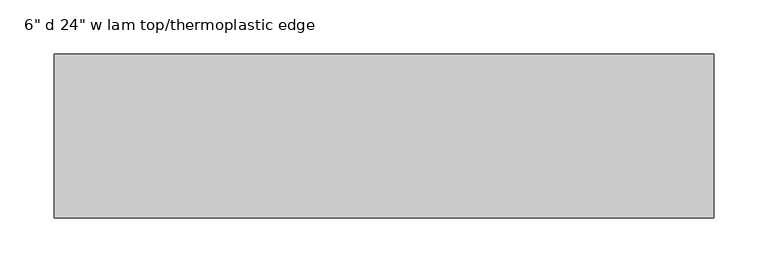
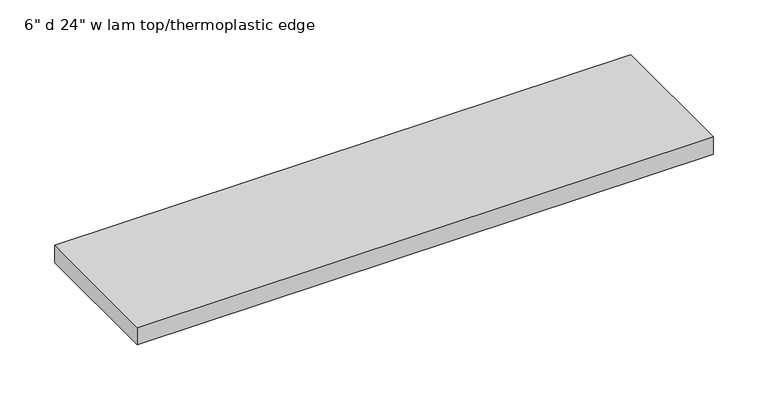
"""IFC4 building model written with IfcOpenShell, lengths in millimetres: furniture geometry."""

from ifc_helpers import new_model, si_unit, frame, origin, place, context, project, spatial, polyline, circle_curve, outline, extrude, source, transform, mapped, element, save
from ifc_brep_helpers import plane_surface, cylinder_surface, advanced_brep


def furniture_91fc5416(model_context):
    return source(origin(), model_context, "Body", "SolidModel", [
        advanced_brep(
        [(56.9043119, -66.675, 675.8945726), (39.6381329, -66.675, 675.8945726), (38.1, -65.1368671, 675.8945726), (38.1, 65.1368671, 675.8945726), (39.6381329, 66.675, 675.8945726), (56.9043119, 66.675, 675.8945726), (58.4199988, 65.1593131, 675.8945726), (58.4199988, -65.1593131, 675.8945726), (45.2146502, 53.5088115, 675.8945726), (45.2146502, 39.4551862, 675.8945726), (51.3053486, 39.4551862, 675.8945726), (51.3053486, 53.5088115, 675.8945726), (45.2146502, -53.5088115, 675.8945726), (51.3053486, -53.5088115, 675.8945726), (51.3053486, -39.4551862, 675.8945726), (45.2146502, -39.4551862, 675.8945726), (38.3203123, 7.5906778, 675.8945726), (38.3203123, -7.5906778, 675.8945726), (58.1814005, -7.5906778, 675.8945726), (58.1814005, 7.5906778, 675.8945726), (56.9043119, -66.675, 682.2446211), (58.4199988, -65.1593131, 682.2446211), (58.4199988, 65.1593131, 682.2446211), (56.9043119, 66.675, 682.2446211), (39.6381329, 66.675, 682.2446211), (38.1, 65.1368671, 682.2446211), (38.1, -65.1368671, 682.2446211), (39.6381329, -66.675, 682.2446211), (45.2146502, 53.5088115, 665.9945955), (51.3053486, 53.5088115, 665.9945955), (51.3053486, 39.4551862, 665.9945955), (45.2146502, 39.4551862, 665.9945955), (45.2146502, -53.5088115, 665.9945955), (45.2146502, -39.4551862, 665.9945955), (51.3053486, -39.4551862, 665.9945955), (51.3053486, -53.5088115, 665.9945955), (38.3203123, 6.8479071, 667.9597372), (38.3203123, 5.8485166, 666.9946072), (38.3203123, -5.8485166, 666.9946072), (38.3203123, -6.8479071, 667.9597372), (38.3203123, -7.1081491, 675.412044), (38.3203123, 7.1081491, 675.412044), (58.1814005, 6.8479071, 667.9597372), (58.1814005, 7.1081491, 675.412044), (58.1814005, -7.1081491, 675.412044), (58.1814005, -6.8479071, 667.9597372), (58.1814005, -5.8485166, 666.9946072), (58.1814005, 5.8485166, 666.9946072)],
        [
            (0, 1),
            (1, 2, circle_curve(frame((39.6381329, -65.1368671, 675.8945726), z_axis=(0.0, 0.0, -1.0), x_axis=(-1.0, 0.0, 0.0)), 1.5381329)),
            (2, 3),
            (3, 4, circle_curve(frame((39.6381329, 65.1368671, 675.8945726), z_axis=(0.0, 0.0, -1.0), x_axis=(-1.0, 0.0, 0.0)), 1.5381329)),
            (4, 5),
            (5, 6, circle_curve(frame((56.9043119, 65.1593131, 675.8945726), z_axis=(0.0, 0.0, -1.0), x_axis=(-1.0, 0.0, 0.0)), 1.5156869)),
            (6, 7),
            (7, 0, circle_curve(frame((56.9043119, -65.1593131, 675.8945726), z_axis=(0.0, 0.0, -1.0), x_axis=(-1.0, 0.0, 0.0)), 1.5156869)),
            (8, 9, circle_curve(frame((48.2600014, 46.4819988, 675.8945726), z_axis=(0.0, 0.0, 1.0), x_axis=(-1.0, 0.0, 0.0)), 7.6583457)),
            (9, 10),
            (10, 11, circle_curve(frame((48.2599974, 46.4819988, 675.8945726), z_axis=(0.0, 0.0, 1.0), x_axis=(-1.0, 0.0, 0.0)), 7.6583457)),
            (11, 8),
            (12, 13),
            (13, 14, circle_curve(frame((48.2599974, -46.4819988, 675.8945726), z_axis=(0.0, 0.0, 1.0), x_axis=(-1.0, 0.0, 0.0)), 7.6583457)),
            (14, 15),
            (15, 12, circle_curve(frame((48.2600014, -46.4819988, 675.8945726), z_axis=(0.0, 0.0, 1.0), x_axis=(-1.0, 0.0, 0.0)), 7.6583457)),
            (16, 17),
            (17, 18),
            (18, 19),
            (19, 16),
            (20, 21, circle_curve(frame((56.9043119, -65.1593131, 682.2446211), z_axis=(0.0, 0.0, 1.0), x_axis=(-1.0, 0.0, 0.0)), 1.5156869)),
            (21, 22),
            (22, 23, circle_curve(frame((56.9043119, 65.1593131, 682.2446211), z_axis=(0.0, 0.0, 1.0), x_axis=(-1.0, 0.0, 0.0)), 1.5156869)),
            (23, 24),
            (24, 25, circle_curve(frame((39.6381329, 65.1368671, 682.2446211), z_axis=(0.0, 0.0, 1.0), x_axis=(-1.0, 0.0, 0.0)), 1.5381329)),
            (25, 26),
            (26, 27, circle_curve(frame((39.6381329, -65.1368671, 682.2446211), z_axis=(0.0, 0.0, 1.0), x_axis=(-1.0, 0.0, 0.0)), 1.5381329)),
            (27, 20),
            (7, 21),
            (20, 0),
            (6, 22),
            (5, 23),
            (4, 24),
            (3, 25),
            (2, 26),
            (1, 27),
            (28, 29),
            (29, 30, circle_curve(frame((48.2599974, 46.4819988, 665.9945955), z_axis=(0.0, 0.0, -1.0), x_axis=(-1.0, 0.0, 0.0)), 7.6583457)),
            (30, 31),
            (31, 28, circle_curve(frame((48.2600014, 46.4819988, 665.9945955), z_axis=(0.0, 0.0, -1.0), x_axis=(-1.0, 0.0, 0.0)), 7.6583457)),
            (32, 33, circle_curve(frame((48.2600014, -46.4819988, 665.9945955), z_axis=(0.0, 0.0, -1.0), x_axis=(-1.0, 0.0, 0.0)), 7.6583457)),
            (33, 34),
            (34, 35, circle_curve(frame((48.2599974, -46.4819988, 665.9945955), z_axis=(0.0, 0.0, -1.0), x_axis=(-1.0, 0.0, 0.0)), 7.6583457)),
            (35, 32),
            (31, 9),
            (8, 28),
            (30, 10),
            (29, 11),
            (35, 13),
            (12, 32),
            (34, 14),
            (33, 15),
            (36, 37),
            (37, 38),
            (38, 39),
            (39, 40),
            (40, 17),
            (16, 41),
            (41, 36),
            (42, 43),
            (43, 19),
            (18, 44),
            (44, 45),
            (45, 46),
            (46, 47),
            (47, 42),
            (36, 42),
            (47, 37),
            (46, 38),
            (45, 39),
            (44, 40),
            (43, 41),
        ],
        [
            plane_surface(frame((55.388625, -65.1593131, 675.8945726), z_axis=(0.0, 0.0, -1.0), x_axis=(0.0, 1.0, 0.0))),
            plane_surface(frame((55.388625, -65.1593131, 682.2446211), z_axis=(0.0, 0.0, 1.0), x_axis=(0.0, -1.0, 0.0))),
            cylinder_surface(frame((56.9043119, -65.1593131, 675.8945726), z_axis=(0.0, 0.0, 1.0), x_axis=(-1.0, 0.0, 0.0)), 1.5156869),
            plane_surface(frame((58.4199988, -65.1593131, 682.2446211), z_axis=(1.0, 0.0, 0.0), x_axis=(0.0, 0.0, -1.0))),
            cylinder_surface(frame((56.9043119, 65.1593131, 675.8945726), z_axis=(0.0, 0.0, 1.0), x_axis=(-1.0, 0.0, 0.0)), 1.5156869),
            plane_surface(frame((56.9043119, 66.675, 682.2446211), z_axis=(0.0, 1.0, 0.0), x_axis=(0.0, 0.0, -1.0))),
            cylinder_surface(frame((39.6381329, 65.1368671, 675.8945726), z_axis=(0.0, 0.0, 1.0), x_axis=(-1.0, 0.0, 0.0)), 1.5381329),
            plane_surface(frame((38.1, 65.1368671, 682.2446211), z_axis=(-1.0, 0.0, 0.0), x_axis=(0.0, 0.0, -1.0))),
            cylinder_surface(frame((39.6381329, -65.1368671, 675.8945726), z_axis=(0.0, 0.0, 1.0), x_axis=(-1.0, 0.0, 0.0)), 1.5381329),
            plane_surface(frame((39.6381329, -66.675, 682.2446211), z_axis=(0.0, -1.0, 0.0), x_axis=(0.0, 0.0, -1.0))),
            plane_surface(frame((40.6016556, 46.4819988, 665.9945955), z_axis=(0.0, 0.0, -1.0), x_axis=(0.0, 1.0, 0.0))),
            cylinder_surface(frame((48.2600014, 46.4819988, 665.9945955), z_axis=(0.0, 0.0, 1.0), x_axis=(-1.0, 0.0, 0.0)), 7.6583457),
            plane_surface(frame((45.2146502, 39.4551862, 682.2446211), z_axis=(0.0, -1.0, 0.0), x_axis=(0.0, 0.0, -1.0))),
            cylinder_surface(frame((48.2599974, 46.4819988, 665.9945955), z_axis=(0.0, 0.0, 1.0), x_axis=(-1.0, 0.0, 0.0)), 7.6583457),
            plane_surface(frame((51.3053486, 53.5088115, 682.2446211), z_axis=(0.0, 1.0, 0.0), x_axis=(0.0, 0.0, -1.0))),
            plane_surface(frame((45.2146502, -53.5088115, 682.2446211), z_axis=(0.0, -1.0, 0.0), x_axis=(0.0, 0.0, -1.0))),
            cylinder_surface(frame((48.2599974, -46.4819988, 682.2446211), z_axis=(0.0, 0.0, 1.0), x_axis=(-1.0, 0.0, 0.0)), 7.6583457),
            plane_surface(frame((51.3053486, -39.4551862, 682.2446211), z_axis=(0.0, 1.0, 0.0), x_axis=(0.0, 0.0, -1.0))),
            cylinder_surface(frame((48.2600014, -46.4819988, 682.2446211), z_axis=(0.0, 0.0, 1.0), x_axis=(-1.0, 0.0, 0.0)), 7.6583457),
            plane_surface(frame((38.3203123, 5.8485166, 666.9946072), z_axis=(-1.0, 0.0, 0.0), x_axis=(0.0, -0.7193290739324713, -0.6946694778061387))),
            plane_surface(frame((58.1814005, 5.8485166, 666.9946072), z_axis=(1.0, 0.0, 0.0), x_axis=(0.0, 0.7193290739324713, 0.6946694778061387))),
            plane_surface(frame((38.3203123, 6.8479071, 667.9597372), z_axis=(0.0, 0.6946694778061387, -0.7193290739324713), x_axis=(1.0, 0.0, 0.0))),
            plane_surface(frame((38.3203123, 5.8485166, 666.9946072), z_axis=(0.0, 0.0, -1.0), x_axis=(1.0, 0.0, 0.0))),
            plane_surface(frame((38.3203123, -5.8485166, 666.9946072), z_axis=(0.0, -0.6946694778061387, -0.7193290739324713), x_axis=(1.0, 0.0, 0.0))),
            plane_surface(frame((38.3203123, -6.8479071, 667.9597372), z_axis=(0.0, -0.9993908190224847, -0.0348997256947267), x_axis=(1.0, 0.0, 0.0))),
            plane_surface(frame((38.3203123, -7.1081491, 675.412044), z_axis=(0.0, -0.7071067811865376, -0.7071067811865576), x_axis=(1.0, 0.0, 0.0))),
            plane_surface(frame((38.3203123, 8.0809822, 676.384877), z_axis=(0.0, 0.7071067811865414, -0.7071067811865537), x_axis=(1.0, 0.0, 0.0))),
            plane_surface(frame((38.3203123, 7.1081491, 675.412044), z_axis=(0.0, 0.9993908190224848, -0.034899725694726644), x_axis=(1.0, 0.0, 0.0))),
        ],
        [
            (0, [[1, 2, 3, 4, 5, 6, 7, 8], [9, 10, 11, 12], [13, 14, 15, 16], [17, 18, 19, 20]]),
            (1, [[21, 22, 23, 24, 25, 26, 27, 28]]),
            (2, [[-8, 29, -21, 30]]),
            (3, [[-7, 31, -22, -29]]),
            (4, [[-6, 32, -23, -31]]),
            (5, [[-5, 33, -24, -32]]),
            (6, [[-4, 34, -25, -33]]),
            (7, [[-3, 35, -26, -34]]),
            (8, [[-2, 36, -27, -35]]),
            (9, [[-1, -30, -28, -36]]),
            (10, [[37, 38, 39, 40]]),
            (10, [[41, 42, 43, 44]]),
            (11, [[-40, 45, -9, 46]]),
            (12, [[-39, 47, -10, -45]]),
            (13, [[-38, 48, -11, -47]]),
            (14, [[-37, -46, -12, -48]]),
            (15, [[-44, 49, -13, 50]]),
            (16, [[-43, 51, -14, -49]]),
            (17, [[-42, 52, -15, -51]]),
            (18, [[-41, -50, -16, -52]]),
            (19, [[53, 54, 55, 56, 57, -17, 58, 59]]),
            (20, [[60, 61, -19, 62, 63, 64, 65, 66]]),
            (21, [[-53, 67, -66, 68]]),
            (22, [[-54, -68, -65, 69]]),
            (23, [[-55, -69, -64, 70]]),
            (24, [[-56, -70, -63, 71]]),
            (25, [[-71, -62, -18, -57]]),
            (26, [[72, -58, -20, -61]]),
            (27, [[-59, -72, -60, -67]]),
        ],
    ),
        advanced_brep(
        [(552.6956881, -66.675, 675.8945726), (551.1800012, -65.1593131, 675.8945726), (551.1800012, 65.1593131, 675.8945726), (552.6956881, 66.675, 675.8945726), (569.9618671, 66.675, 675.8945726), (571.5, 65.1368671, 675.8945726), (571.5, -65.1368671, 675.8945726), (569.9618671, -66.675, 675.8945726), (564.3853498, 53.5088115, 675.8945726), (558.2946514, 53.5088115, 675.8945726), (558.2946514, 39.4551862, 675.8945726), (564.3853498, 39.4551862, 675.8945726), (564.3853498, -53.5088115, 675.8945726), (564.3853498, -39.4551862, 675.8945726), (558.2946514, -39.4551862, 675.8945726), (558.2946514, -53.5088115, 675.8945726), (571.2796877, -7.5906778, 675.8945726), (571.2796877, 7.5906778, 675.8945726), (551.4185995, 7.5906778, 675.8945726), (551.4185995, -7.5906778, 675.8945726), (552.6956881, -66.675, 682.2446211), (569.9618671, -66.675, 682.2446211), (571.5, -65.1368671, 682.2446211), (571.5, 65.1368671, 682.2446211), (569.9618671, 66.675, 682.2446211), (552.6956881, 66.675, 682.2446211), (551.1800012, 65.1593131, 682.2446211), (551.1800012, -65.1593131, 682.2446211), (564.3853498, 53.5088115, 665.9945955), (564.3853498, 39.4551862, 665.9945955), (558.2946514, 39.4551862, 665.9945955), (558.2946514, 53.5088115, 665.9945955), (564.3853498, -53.5088115, 665.9945955), (558.2946514, -53.5088115, 665.9945955), (558.2946514, -39.4551862, 665.9945955), (564.3853498, -39.4551862, 665.9945955), (571.2796877, 6.8479071, 667.9597372), (571.2796877, 7.1081491, 675.412044), (571.2796877, -7.1081491, 675.412044), (571.2796877, -6.8479071, 667.9597372), (571.2796877, -5.8485166, 666.9946072), (571.2796877, 5.8485166, 666.9946072), (551.4185995, 6.8479071, 667.9597372), (551.4185995, 5.8485166, 666.9946072), (551.4185995, -5.8485166, 666.9946072), (551.4185995, -6.8479071, 667.9597372), (551.4185995, -7.1081491, 675.412044), (551.4185995, 7.1081491, 675.412044)],
        [
            (0, 1, circle_curve(frame((552.6956881, -65.1593131, 675.8945726), z_axis=(0.0, 0.0, -1.0), x_axis=(-1.0, 0.0, 0.0)), 1.5156869)),
            (1, 2),
            (2, 3, circle_curve(frame((552.6956881, 65.1593131, 675.8945726), z_axis=(0.0, 0.0, -1.0), x_axis=(-1.0, 0.0, 0.0)), 1.5156869)),
            (3, 4),
            (4, 5, circle_curve(frame((569.9618671, 65.1368671, 675.8945726), z_axis=(0.0, 0.0, -1.0), x_axis=(-1.0, 0.0, 0.0)), 1.5381329)),
            (5, 6),
            (6, 7, circle_curve(frame((569.9618671, -65.1368671, 675.8945726), z_axis=(0.0, 0.0, -1.0), x_axis=(-1.0, 0.0, 0.0)), 1.5381329)),
            (7, 0),
            (8, 9),
            (9, 10, circle_curve(frame((561.3400026, 46.4819988, 675.8945726), z_axis=(0.0, 0.0, 1.0), x_axis=(-1.0, 0.0, 0.0)), 7.6583457)),
            (10, 11),
            (11, 8, circle_curve(frame((561.3399986, 46.4819988, 675.8945726), z_axis=(0.0, 0.0, 1.0), x_axis=(-1.0, 0.0, 0.0)), 7.6583457)),
            (12, 13, circle_curve(frame((561.3399986, -46.4819988, 675.8945726), z_axis=(0.0, 0.0, 1.0), x_axis=(-1.0, 0.0, 0.0)), 7.6583457)),
            (13, 14),
            (14, 15, circle_curve(frame((561.3400026, -46.4819988, 675.8945726), z_axis=(0.0, 0.0, 1.0), x_axis=(-1.0, 0.0, 0.0)), 7.6583457)),
            (15, 12),
            (16, 17),
            (17, 18),
            (18, 19),
            (19, 16),
            (20, 21),
            (21, 22, circle_curve(frame((569.9618671, -65.1368671, 682.2446211), z_axis=(0.0, 0.0, 1.0), x_axis=(-1.0, 0.0, 0.0)), 1.5381329)),
            (22, 23),
            (23, 24, circle_curve(frame((569.9618671, 65.1368671, 682.2446211), z_axis=(0.0, 0.0, 1.0), x_axis=(-1.0, 0.0, 0.0)), 1.5381329)),
            (24, 25),
            (25, 26, circle_curve(frame((552.6956881, 65.1593131, 682.2446211), z_axis=(0.0, 0.0, 1.0), x_axis=(-1.0, 0.0, 0.0)), 1.5156869)),
            (26, 27),
            (27, 20, circle_curve(frame((552.6956881, -65.1593131, 682.2446211), z_axis=(0.0, 0.0, 1.0), x_axis=(-1.0, 0.0, 0.0)), 1.5156869)),
            (7, 21),
            (20, 0),
            (6, 22),
            (5, 23),
            (4, 24),
            (3, 25),
            (2, 26),
            (1, 27),
            (28, 29, circle_curve(frame((561.3399986, 46.4819988, 665.9945955), z_axis=(0.0, 0.0, -1.0), x_axis=(-1.0, 0.0, 0.0)), 7.6583457)),
            (29, 30),
            (30, 31, circle_curve(frame((561.3400026, 46.4819988, 665.9945955), z_axis=(0.0, 0.0, -1.0), x_axis=(-1.0, 0.0, 0.0)), 7.6583457)),
            (31, 28),
            (32, 33),
            (33, 34, circle_curve(frame((561.3400026, -46.4819988, 665.9945955), z_axis=(0.0, 0.0, -1.0), x_axis=(-1.0, 0.0, 0.0)), 7.6583457)),
            (34, 35),
            (35, 32, circle_curve(frame((561.3399986, -46.4819988, 665.9945955), z_axis=(0.0, 0.0, -1.0), x_axis=(-1.0, 0.0, 0.0)), 7.6583457)),
            (31, 9),
            (8, 28),
            (30, 10),
            (29, 11),
            (35, 13),
            (12, 32),
            (34, 14),
            (33, 15),
            (36, 37),
            (37, 17),
            (16, 38),
            (38, 39),
            (39, 40),
            (40, 41),
            (41, 36),
            (42, 43),
            (43, 44),
            (44, 45),
            (45, 46),
            (46, 19),
            (18, 47),
            (47, 42),
            (41, 43),
            (42, 36),
            (40, 44),
            (39, 45),
            (38, 46),
            (37, 47),
        ],
        [
            plane_surface(frame((55.388625, -65.1593131, 675.8945726), z_axis=(0.0, 0.0, -1.0), x_axis=(0.0, 1.0, 0.0))),
            plane_surface(frame((55.388625, -65.1593131, 682.2446211), z_axis=(0.0, 0.0, 1.0), x_axis=(0.0, -1.0, 0.0))),
            plane_surface(frame((552.6956881, -66.675, 682.2446211), z_axis=(0.0, -1.0, 0.0), x_axis=(0.0, 0.0, -1.0))),
            cylinder_surface(frame((569.9618671, -65.1368671, 682.2446211), z_axis=(0.0, 0.0, 1.0), x_axis=(-1.0, 0.0, 0.0)), 1.5381329),
            plane_surface(frame((571.5, -65.1368671, 682.2446211), z_axis=(1.0, 0.0, 0.0), x_axis=(0.0, 0.0, -1.0))),
            cylinder_surface(frame((569.9618671, 65.1368671, 682.2446211), z_axis=(0.0, 0.0, 1.0), x_axis=(-1.0, 0.0, 0.0)), 1.5381329),
            plane_surface(frame((569.9618671, 66.675, 682.2446211), z_axis=(0.0, 1.0, 0.0), x_axis=(0.0, 0.0, -1.0))),
            cylinder_surface(frame((552.6956881, 65.1593131, 682.2446211), z_axis=(0.0, 0.0, 1.0), x_axis=(-1.0, 0.0, 0.0)), 1.5156869),
            plane_surface(frame((551.1800012, 65.1593131, 682.2446211), z_axis=(-1.0, 0.0, 0.0), x_axis=(0.0, 0.0, -1.0))),
            cylinder_surface(frame((552.6956881, -65.1593131, 682.2446211), z_axis=(0.0, 0.0, 1.0), x_axis=(-1.0, 0.0, 0.0)), 1.5156869),
            plane_surface(frame((40.6016556, 46.4819988, 665.9945955), z_axis=(0.0, 0.0, -1.0), x_axis=(0.0, 1.0, 0.0))),
            plane_surface(frame((564.3853498, 53.5088115, 682.2446211), z_axis=(0.0, 1.0, 0.0), x_axis=(0.0, 0.0, -1.0))),
            cylinder_surface(frame((561.3400026, 46.4819988, 682.2446211), z_axis=(0.0, 0.0, 1.0), x_axis=(-1.0, 0.0, 0.0)), 7.6583457),
            plane_surface(frame((558.2946514, 39.4551862, 682.2446211), z_axis=(0.0, -1.0, 0.0), x_axis=(0.0, 0.0, -1.0))),
            cylinder_surface(frame((561.3399986, 46.4819988, 682.2446211), z_axis=(0.0, 0.0, 1.0), x_axis=(-1.0, 0.0, 0.0)), 7.6583457),
            cylinder_surface(frame((561.3399986, -46.4819988, 682.2446211), z_axis=(0.0, 0.0, 1.0), x_axis=(-1.0, 0.0, 0.0)), 7.6583457),
            plane_surface(frame((564.3853498, -39.4551862, 682.2446211), z_axis=(0.0, 1.0, 0.0), x_axis=(0.0, 0.0, -1.0))),
            cylinder_surface(frame((561.3400026, -46.4819988, 682.2446211), z_axis=(0.0, 0.0, 1.0), x_axis=(-1.0, 0.0, 0.0)), 7.6583457),
            plane_surface(frame((558.2946514, -53.5088115, 682.2446211), z_axis=(0.0, -1.0, 0.0), x_axis=(0.0, 0.0, -1.0))),
            plane_surface(frame((571.2796877, 7.1081491, 675.412044), z_axis=(1.0000000000000002, 0.0, 0.0), x_axis=(0.0, 0.034899725694726644, 0.9993908190224848))),
            plane_surface(frame((551.4185995, 7.1081491, 675.412044), z_axis=(-1.0000000000000002, 0.0, 0.0), x_axis=(0.0, -0.034899725694726644, -0.9993908190224848))),
            plane_surface(frame((571.2796877, 5.8485166, 666.9946072), z_axis=(0.0, 0.6946694778061387, -0.7193290739324713), x_axis=(-1.0, 0.0, 0.0))),
            plane_surface(frame((571.2796877, -5.8485166, 666.9946072), z_axis=(0.0, 0.0, -1.0), x_axis=(-1.0, 0.0, 0.0))),
            plane_surface(frame((571.2796877, -6.8479071, 667.9597372), z_axis=(0.0, -0.6946694778061387, -0.7193290739324713), x_axis=(-1.0, 0.0, 0.0))),
            plane_surface(frame((571.2796877, -7.1081491, 675.412044), z_axis=(0.0, -0.9993908190224847, -0.034899725694726984), x_axis=(-1.0, 0.0, 0.0))),
            plane_surface(frame((571.2796877, -8.0809822, 676.384877), z_axis=(0.0, -0.7071067811865384, -0.7071067811865568), x_axis=(-1.0, 0.0, 0.0))),
            plane_surface(frame((571.2796877, 7.1081491, 675.412044), z_axis=(0.0, 0.7071067811865387, -0.7071067811865565), x_axis=(-1.0, 0.0, 0.0))),
            plane_surface(frame((571.2796877, 6.8479071, 667.9597372), z_axis=(0.0, 0.9993908190224848, -0.034899725694726644), x_axis=(-1.0, 0.0, 0.0))),
        ],
        [
            (0, [[1, 2, 3, 4, 5, 6, 7, 8], [9, 10, 11, 12], [13, 14, 15, 16], [17, 18, 19, 20]]),
            (1, [[21, 22, 23, 24, 25, 26, 27, 28]]),
            (2, [[-8, 29, -21, 30]]),
            (3, [[-7, 31, -22, -29]]),
            (4, [[-6, 32, -23, -31]]),
            (5, [[-5, 33, -24, -32]]),
            (6, [[-4, 34, -25, -33]]),
            (7, [[-3, 35, -26, -34]]),
            (8, [[-2, 36, -27, -35]]),
            (9, [[-1, -30, -28, -36]]),
            (10, [[37, 38, 39, 40]]),
            (10, [[41, 42, 43, 44]]),
            (11, [[-40, 45, -9, 46]]),
            (12, [[-39, 47, -10, -45]]),
            (13, [[-38, 48, -11, -47]]),
            (14, [[-37, -46, -12, -48]]),
            (15, [[-44, 49, -13, 50]]),
            (16, [[-43, 51, -14, -49]]),
            (17, [[-42, 52, -15, -51]]),
            (18, [[-41, -50, -16, -52]]),
            (19, [[53, 54, -17, 55, 56, 57, 58, 59]]),
            (20, [[60, 61, 62, 63, 64, -19, 65, 66]]),
            (21, [[-59, 67, -60, 68]]),
            (22, [[-58, 69, -61, -67]]),
            (23, [[-57, 70, -62, -69]]),
            (24, [[-56, 71, -63, -70]]),
            (25, [[-71, -55, -20, -64]]),
            (26, [[72, -65, -18, -54]]),
            (27, [[-53, -68, -66, -72]]),
        ],
    ),
        extrude(outline(polyline([(609.6, 75.8199996), (609.6, -75.8199996), (0.0, -75.8199996), (0.0, 75.8199996), (609.6, 75.8199996)])), frame((0.0, 0.0, 682.2446211), z_axis=(0.0, 0.0, 1.0), x_axis=(1.0, 0.0, 0.0)), (0.0, 0.0, 1.0), 19.3039816),
    ])


if __name__ == "__main__":
    model = new_model("IFC4")
    model_context = context("Model", 3, world=origin())
    ifc_project = project(units=[si_unit("LENGTHUNIT", "METRE", prefix="MILLI")], contexts=[model_context])
    site = spatial("IfcSite", under=ifc_project)
    building = spatial("IfcBuilding", under=site)
    placement = place(None, origin())
    furniture_shape = furniture_91fc5416(model_context)
    element("IfcFurniture", 1, ObjectType="6\" d 24\" w lam top/thermoplastic edge", at=placement, inside=building, context=model_context, shape_type="MappedRepresentation", body=[
        mapped(furniture_shape, transform((0.0, 0.0, 0.0), x_axis=(1.0, 0.0, 0.0), y_axis=(0.0, 1.0, 0.0), z_axis=(0.0, 0.0, 1.0))),
    ])
    save(model, "model.ifc")
